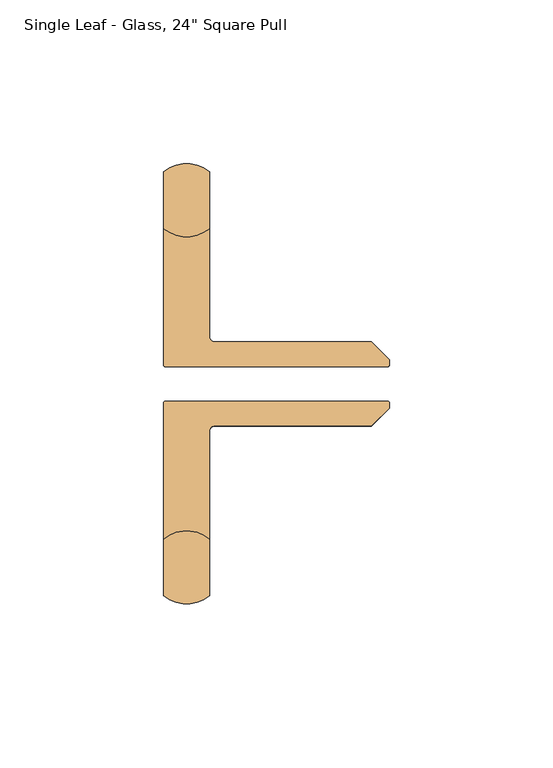
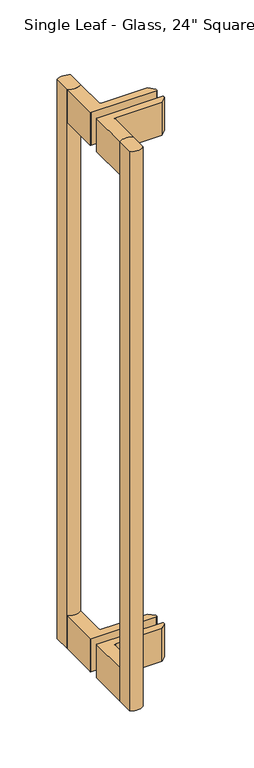
"""IFC4 building model written with IfcOpenShell, lengths in millimetres: door geometry."""

from ifc_helpers import new_model, si_unit, point, frame, frame_2d, origin, place, context, project, spatial, polyline, circle_curve, trimmed, segment, composite_curve, outline, extrude, source, transform, mapped, element, save


def door_b601f65a(model_context):
    return source(origin(), model_context, "Body", "SweptSolid", [
        extrude(outline(composite_curve([segment(trimmed(circle_curve(frame_2d((-43.9125001, 55.3578)), 11.15), [point((-50.9125001, 64.0366536))], [point((-36.9125001, 64.0366536))], False, "CARTESIAN"), True, "CONTINUOUS"), segment(polyline([(-36.9125001, 64.0366536), (-36.9125001, 46.6789464)]), True, "CONTINUOUS"), segment(trimmed(circle_curve(frame_2d((-43.9125001, 55.3578)), 11.15), [point((-36.9125001, 46.6789464))], [point((-50.9125001, 46.6789464))], False, "CARTESIAN"), True, "CONTINUOUS"), segment(polyline([(-50.9125001, 46.6789464), (-50.9125001, 64.0366536)]), True, "CONTINUOUS")], self_intersect=False)), frame((0.0, 0.0, -108.492), z_axis=(0.0, 0.0, 1.0), x_axis=(1.0, 0.0, 0.0)), (0.0, 0.0, 1.0), 609.6),
        extrude(outline(composite_curve([segment(polyline([(-50.9125001, -65.4366536), (-50.9125001, -48.0789464)]), True, "CONTINUOUS"), segment(trimmed(circle_curve(frame_2d((-43.9125001, -56.7578)), 11.15), [point((-50.9125001, -48.0789464))], [point((-36.9125001, -48.0789464))], False, "CARTESIAN"), True, "CONTINUOUS"), segment(polyline([(-36.9125001, -48.0789464), (-36.9125001, -65.4366536)]), True, "CONTINUOUS"), segment(trimmed(circle_curve(frame_2d((-43.9125001, -56.7578)), 11.15), [point((-36.9125001, -65.4366536))], [point((-50.9125001, -65.4366536))], False, "CARTESIAN"), True, "CONTINUOUS")], self_intersect=False)), frame((0.0, 0.0, -108.492), z_axis=(0.0, 0.0, 1.0), x_axis=(1.0, 0.0, 0.0)), (0.0, 0.0, 1.0), 609.6),
        extrude(outline(composite_curve([segment(trimmed(circle_curve(frame_2d((-43.9125001, 55.3578)), 11.15), [point((-50.9125001, 46.6789464))], [point((-36.9125001, 46.6789464))], True, "CARTESIAN"), True, "CONTINUOUS"), segment(polyline([(-36.9125001, 46.6789464), (-36.9125001, 13.6698)]), True, "CONTINUOUS"), segment(trimmed(circle_curve(frame_2d((-35.4125001, 13.6698)), 1.5), [point((-36.9125001, 13.6698))], [point((-35.4125001, 12.1698))], True, "CARTESIAN"), True, "CONTINUOUS"), segment(polyline([(-35.4125001, 12.1698), (12.5392102, 12.1698), (18.0, 6.7090102), (18.0, 5.0578)]), True, "CONTINUOUS"), segment(trimmed(circle_curve(frame_2d((17.5, 5.0578)), 0.5), [point((18.0, 5.0578))], [point((17.5, 4.5578))], False, "CARTESIAN"), True, "CONTINUOUS"), segment(polyline([(17.5, 4.5578), (-50.4125001, 4.5578)]), True, "CONTINUOUS"), segment(trimmed(circle_curve(frame_2d((-50.4125001, 5.0578)), 0.5), [point((-50.4125001, 4.5578))], [point((-50.9125001, 5.0578))], False, "CARTESIAN"), True, "CONTINUOUS"), segment(polyline([(-50.9125001, 5.0578), (-50.9125001, 46.6789464)]), True, "CONTINUOUS")], self_intersect=False)), frame((0.0, 0.0, 465.108), z_axis=(0.0, 0.0, 1.0), x_axis=(1.0, 0.0, 0.0)), (0.0, 0.0, 1.0), 36.0),
        extrude(outline(composite_curve([segment(trimmed(circle_curve(frame_2d((-50.4125001, -6.4578)), 0.5), [point((-50.9125001, -6.4578))], [point((-50.4125001, -5.9578))], False, "CARTESIAN"), True, "CONTINUOUS"), segment(polyline([(-50.4125001, -5.9578), (17.5, -5.9578)]), True, "CONTINUOUS"), segment(trimmed(circle_curve(frame_2d((17.5, -6.4578)), 0.5), [point((17.5, -5.9578))], [point((18.0, -6.4578))], False, "CARTESIAN"), True, "CONTINUOUS"), segment(polyline([(18.0, -6.4578), (18.0, -8.1090102), (12.5392102, -13.5698), (-35.4125001, -13.5698)]), True, "CONTINUOUS"), segment(trimmed(circle_curve(frame_2d((-35.4125001, -15.0698)), 1.5), [point((-35.4125001, -13.5698))], [point((-36.9125001, -15.0698))], True, "CARTESIAN"), True, "CONTINUOUS"), segment(polyline([(-36.9125001, -15.0698), (-36.9125001, -48.0789464)]), True, "CONTINUOUS"), segment(trimmed(circle_curve(frame_2d((-43.9125001, -56.7578)), 11.15), [point((-36.9125001, -48.0789464))], [point((-50.9125001, -48.0789464))], True, "CARTESIAN"), True, "CONTINUOUS"), segment(polyline([(-50.9125001, -48.0789464), (-50.9125001, -6.4578)]), True, "CONTINUOUS")], self_intersect=False)), frame((0.0, 0.0, 465.108), z_axis=(0.0, 0.0, 1.0), x_axis=(1.0, 0.0, 0.0)), (0.0, 0.0, 1.0), 36.0),
        extrude(outline(composite_curve([segment(polyline([(-50.9125001, 5.0578), (-50.9125001, 46.6789464)]), True, "CONTINUOUS"), segment(trimmed(circle_curve(frame_2d((-43.9125001, 55.3578)), 11.15), [point((-50.9125001, 46.6789464))], [point((-36.9125001, 46.6789464))], True, "CARTESIAN"), True, "CONTINUOUS"), segment(polyline([(-36.9125001, 46.6789464), (-36.9125001, 13.6698)]), True, "CONTINUOUS"), segment(trimmed(circle_curve(frame_2d((-35.4125001, 13.6698)), 1.5), [point((-36.9125001, 13.6698))], [point((-35.4125001, 12.1698))], True, "CARTESIAN"), True, "CONTINUOUS"), segment(polyline([(-35.4125001, 12.1698), (12.5392102, 12.1698), (18.0, 6.7090102), (18.0, 5.0578)]), True, "CONTINUOUS"), segment(trimmed(circle_curve(frame_2d((17.5, 5.0578)), 0.5), [point((18.0, 5.0578))], [point((17.5, 4.5578))], False, "CARTESIAN"), True, "CONTINUOUS"), segment(polyline([(17.5, 4.5578), (-50.4125001, 4.5578)]), True, "CONTINUOUS"), segment(trimmed(circle_curve(frame_2d((-50.4125001, 5.0578)), 0.5), [point((-50.4125001, 4.5578))], [point((-50.9125001, 5.0578))], False, "CARTESIAN"), True, "CONTINUOUS")], self_intersect=False)), frame((0.0, 0.0, -108.492), z_axis=(0.0, 0.0, 1.0), x_axis=(1.0, 0.0, 0.0)), (0.0, 0.0, 1.0), 36.0),
        extrude(outline(composite_curve([segment(trimmed(circle_curve(frame_2d((17.5, -6.4578)), 0.5), [point((17.5, -5.9578))], [point((18.0, -6.4578))], False, "CARTESIAN"), True, "CONTINUOUS"), segment(polyline([(18.0, -6.4578), (18.0, -8.1090102), (12.5392102, -13.5698), (-35.4125001, -13.5698)]), True, "CONTINUOUS"), segment(trimmed(circle_curve(frame_2d((-35.4125001, -15.0698)), 1.5), [point((-35.4125001, -13.5698))], [point((-36.9125001, -15.0698))], True, "CARTESIAN"), True, "CONTINUOUS"), segment(polyline([(-36.9125001, -15.0698), (-36.9125001, -48.0789464)]), True, "CONTINUOUS"), segment(trimmed(circle_curve(frame_2d((-43.9125001, -56.7578)), 11.15), [point((-36.9125001, -48.0789464))], [point((-50.9125001, -48.0789464))], True, "CARTESIAN"), True, "CONTINUOUS"), segment(polyline([(-50.9125001, -48.0789464), (-50.9125001, -6.4578)]), True, "CONTINUOUS"), segment(trimmed(circle_curve(frame_2d((-50.4125001, -6.4578)), 0.5), [point((-50.9125001, -6.4578))], [point((-50.4125001, -5.9578))], False, "CARTESIAN"), True, "CONTINUOUS"), segment(polyline([(-50.4125001, -5.9578), (17.5, -5.9578)]), True, "CONTINUOUS")], self_intersect=False)), frame((0.0, 0.0, -108.492), z_axis=(0.0, 0.0, 1.0), x_axis=(1.0, 0.0, 0.0)), (0.0, 0.0, 1.0), 36.0),
    ])


if __name__ == "__main__":
    model = new_model("IFC4")
    model_context = context("Model", 3, world=origin())
    ifc_project = project(units=[si_unit("LENGTHUNIT", "METRE", prefix="MILLI")], contexts=[model_context])
    site = spatial("IfcSite", under=ifc_project)
    building = spatial("IfcBuilding", under=site)
    placement = place(None, origin())
    door_shape = door_b601f65a(model_context)
    element("IfcDoor", 1, ObjectType="Single Leaf - Glass, 24\" Square Pull", at=placement, inside=building, context=model_context, shape_type="MappedRepresentation", body=[
        mapped(door_shape, transform((0.0, 0.0, 0.0), x_axis=(1.0, 0.0, 0.0), y_axis=(0.0, 1.0, 0.0), z_axis=(0.0, 0.0, 1.0))),
    ])
    save(model, "model.ifc")
